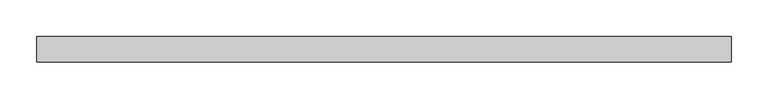
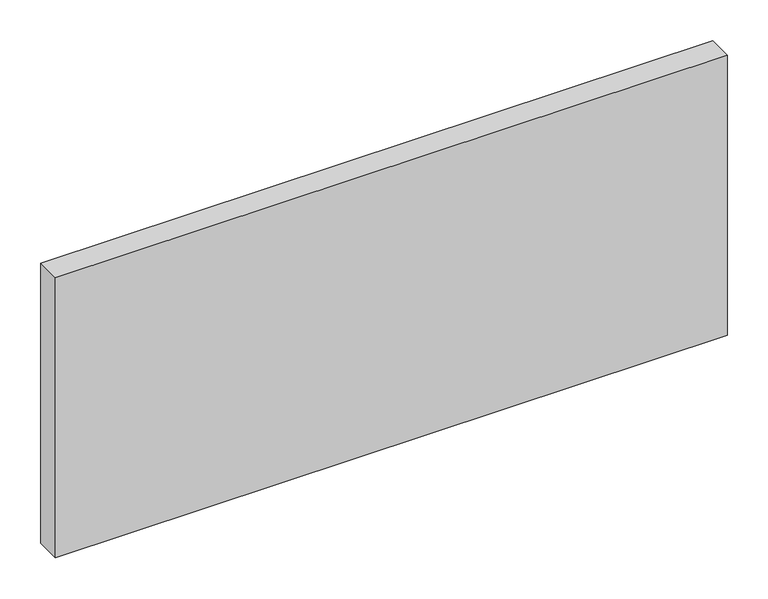
"""IFC4 building model written with IfcOpenShell, lengths in millimetres: plate geometry."""

from ifc_helpers import new_model, si_unit, origin, origin_with_axes, place, context, project, spatial, polyline, outline, extrude, source, transform, mapped, element, save


def plate_dedabe4f(model_context):
    return source(origin(), model_context, "Body", "SweptSolid", [
        extrude(outline(polyline([(473.8125, -17.5), (-473.8125, -17.5), (-473.8125, 17.5), (473.8125, 17.5), (473.8125, -17.5)])), origin_with_axes(), (0.0, 0.0, 1.0), 417.625),
    ])


if __name__ == "__main__":
    model = new_model("IFC4")
    model_context = context("Model", 3, world=origin())
    ifc_project = project(units=[si_unit("LENGTHUNIT", "METRE", prefix="MILLI")], contexts=[model_context])
    site = spatial("IfcSite", under=ifc_project)
    building = spatial("IfcBuilding", under=site)
    placement = place(None, origin())
    plate_shape = plate_dedabe4f(model_context)
    element("IfcPlate", 1, at=placement, inside=building, context=model_context, shape_type="MappedRepresentation", body=[
        mapped(plate_shape, transform((0.0, 0.0, 0.0), x_axis=(1.0, 0.0, 0.0), y_axis=(0.0, 1.0, 0.0), z_axis=(0.0, 0.0, 1.0))),
    ])
    save(model, "model.ifc")
